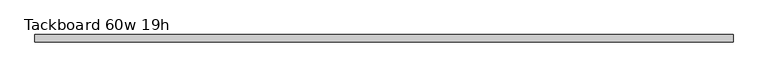
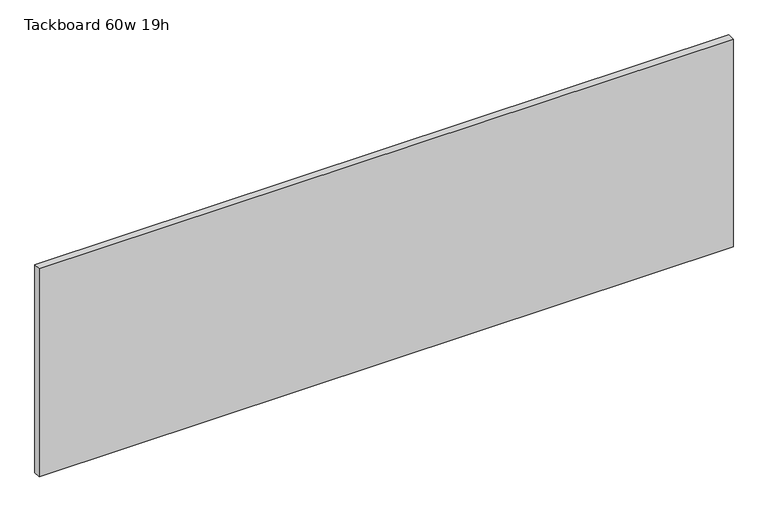
"""IFC4 building model written with IfcOpenShell, lengths in millimetres: furniture geometry, Tackboard 60w 19h."""

from ifc_helpers import new_model, si_unit, frame, origin, place, context, project, spatial, polyline, outline, extrude, source, transform, mapped, element, save


def tackboard_60w_19h_afec8018(model_context):
    return source(origin(), model_context, "Body", "SweptSolid", [
        extrude(outline(polyline([(764.4402902, -28.8968594), (-759.5597098, -28.8968594), (-759.5597098, -13.0218594), (764.4402902, -13.0218594), (764.4402902, -28.8968594)])), frame((0.0, 0.0, 1066.8), z_axis=(0.0, 0.0, 1.0), x_axis=(1.0, 0.0, 0.0)), (0.0, 0.0, 1.0), 482.6),
    ])


if __name__ == "__main__":
    model = new_model("IFC4")
    model_context = context("Model", 3, world=origin())
    ifc_project = project(units=[si_unit("LENGTHUNIT", "METRE", prefix="MILLI")], contexts=[model_context])
    site = spatial("IfcSite", under=ifc_project)
    building = spatial("IfcBuilding", under=site)
    placement = place(None, origin())
    tackboard_60w_19h_shape = tackboard_60w_19h_afec8018(model_context)
    element("IfcFurniture", 1, ObjectType="Tackboard 60w 19h", at=placement, inside=building, context=model_context, shape_type="MappedRepresentation", body=[
        mapped(tackboard_60w_19h_shape, transform((0.0, 0.0, 0.0), x_axis=(1.0, 0.0, 0.0), y_axis=(0.0, 1.0, 0.0), z_axis=(0.0, 0.0, 1.0))),
    ])
    save(model, "model.ifc")
